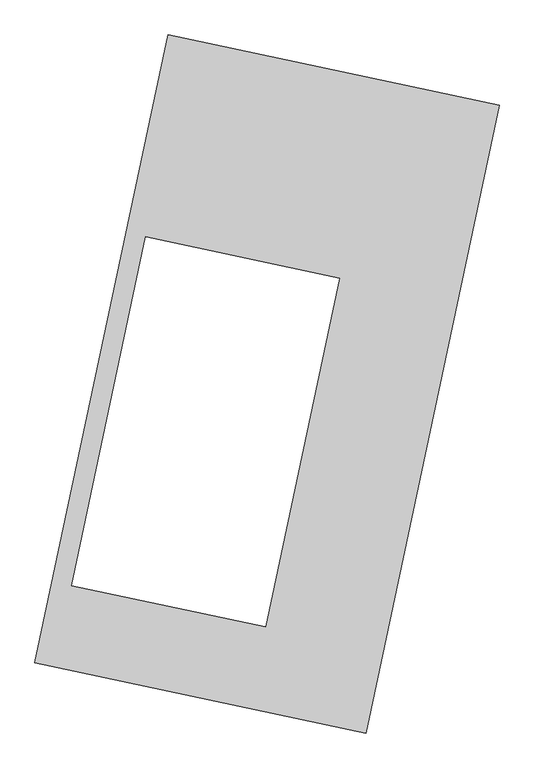
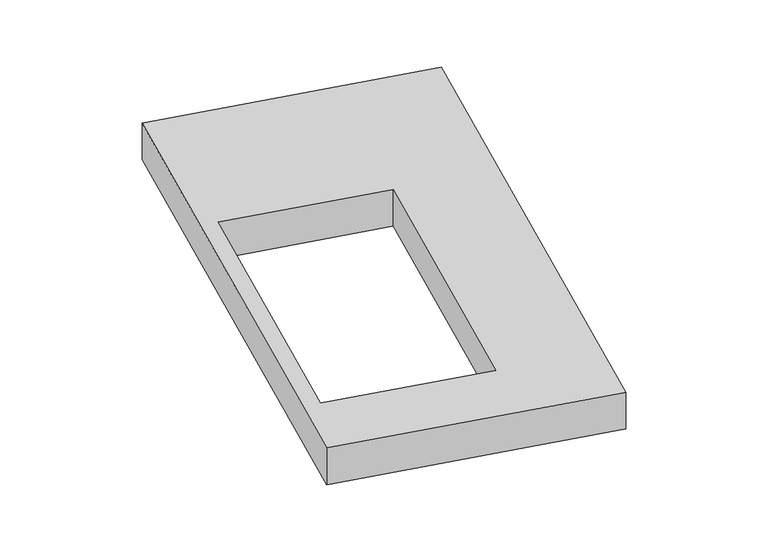
"""IFC4 building model written with IfcOpenShell, lengths in millimetres: proxy geometry."""

from ifc_helpers import new_model, si_unit, origin, origin_with_axes, place, context, project, spatial, polyline, outline, extrude, source, transform, mapped, element, save


def generic_models_ffa97494(model_context):
    return source(origin(), model_context, "Body", "SweptSolid", [
        extrude(outline(polyline([(-617.3692021, 2175.5580432), (1447.7508745, 1737.3010494), (617.3692021, -2175.5580432), (-1447.7508745, -1737.3010494), (-617.3692021, 2175.5580432)]), holes=[polyline([(450.79566, 660.0266624), (-756.4314397, 916.2227671), (-1217.8709371, -1258.1360768), (-10.6438375, -1514.3321816), (450.79566, 660.0266624)])]), origin_with_axes(), (0.0, 0.0, 1.0), 300.0),
    ])


if __name__ == "__main__":
    model = new_model("IFC4")
    model_context = context("Model", 3, world=origin())
    ifc_project = project(units=[si_unit("LENGTHUNIT", "METRE", prefix="MILLI")], contexts=[model_context])
    site = spatial("IfcSite", under=ifc_project)
    building = spatial("IfcBuilding", under=site)
    placement = place(None, origin())
    generic_models_shape = generic_models_ffa97494(model_context)
    element("IfcBuildingElementProxy", 1, Name="Generic Models", at=placement, inside=building, context=model_context, shape_type="MappedRepresentation", body=[
        mapped(generic_models_shape, transform((0.0, 0.0, 0.0), x_axis=(1.0, 0.0, 0.0), y_axis=(0.0, 1.0, 0.0), z_axis=(0.0, 0.0, 1.0))),
    ])
    save(model, "model.ifc")
